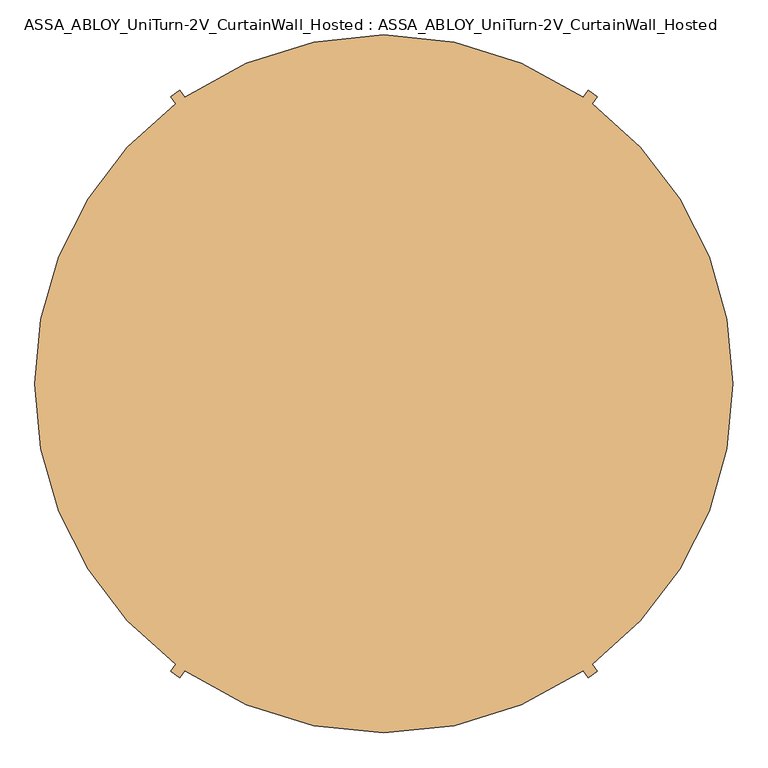
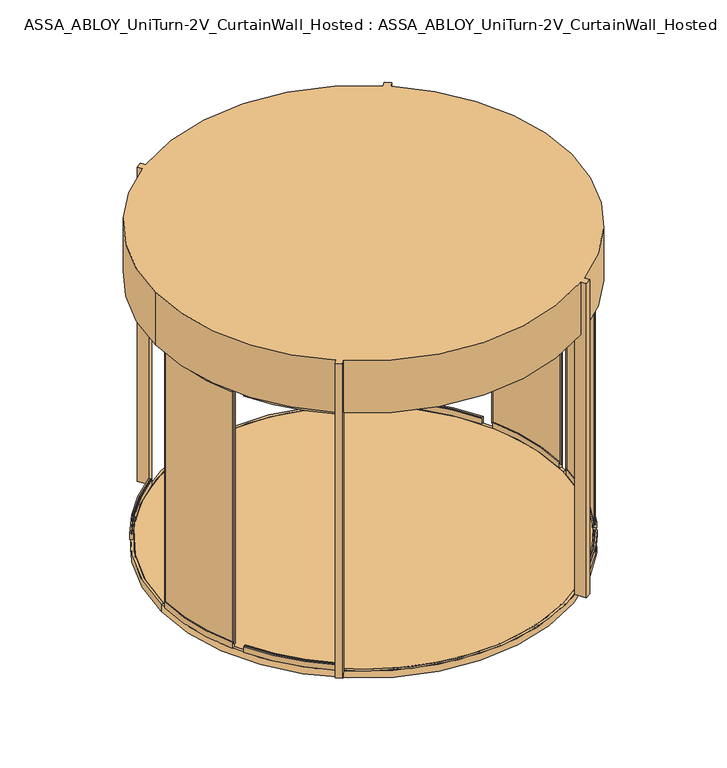
"""IFC4 building model written with IfcOpenShell, lengths in millimetres: door geometry, ASSA_ABLOY_UniTurn-2V_CurtainWall_Hosted : ASSA_ABLOY_UniTurn-2V_CurtainWall_Hosted."""

from ifc_helpers import new_model, si_unit, point, frame, frame_2d, origin, origin_2d, place, context, project, spatial, polyline, circle_curve, trimmed, segment, composite_curve, outline, extrude, source, transform, mapped, element, save
from ifc_brep_helpers import plane_surface, cylinder_surface, revolved_surface, advanced_brep


def assa_abloy_uniturn_2v_curtainwall_hosted_assa_abloy_uniturn_b81dfed7(model_context):
    return source(origin(), model_context, "Body", "SolidModel", [
        extrude(outline(composite_curve([segment(trimmed(circle_curve(origin_2d(), 1800.0), [point((-1800.0, 0.0))], [point((1800.0, 0.0))], False, "CARTESIAN"), True, "CONTINUOUS"), segment(trimmed(circle_curve(origin_2d(), 1800.0), [point((1800.0, 0.0))], [point((-1800.0, 0.0))], False, "CARTESIAN"), True, "CONTINUOUS")], self_intersect=False)), frame((0.0, 0.0, -23.0), z_axis=(0.0, 0.0, 1.0), x_axis=(1.0, 0.0, 0.0)), (0.0, 0.0, 1.0), 23.0),
        advanced_brep(
        [(1826.0, 0.0, -65.0), (-1826.0, 0.0, -65.0), (-1826.0, 0.0, 0.0), (1826.0, 0.0, 0.0), (0.0, 0.0, -65.0), (1800.0, 0.0, -23.0), (-1800.0, 0.0, -23.0), (0.0, 0.0, -23.0), (1800.0, 0.0, 0.0), (-1800.0, 0.0, 0.0)],
        [
            (0, 1, circle_curve(frame((0.0, 0.0, -65.0), z_axis=(0.0, 0.0, 1.0), x_axis=(-1.0, 0.0, 0.0)), 1826.0)),
            (1, 2),
            (2, 3, circle_curve(frame((0.0, 0.0, 0.0), z_axis=(0.0, 0.0, -1.0), x_axis=(-1.0, 0.0, 0.0)), 1826.0)),
            (3, 0),
            (1, 0, circle_curve(frame((0.0, 0.0, -65.0), z_axis=(0.0, 0.0, 1.0), x_axis=(-1.0, 0.0, 0.0)), 1826.0)),
            (3, 2, circle_curve(frame((0.0, 0.0, 0.0), z_axis=(0.0, 0.0, -1.0), x_axis=(-1.0, 0.0, 0.0)), 1826.0)),
            (4, 1),
            (0, 4),
            (5, 6, circle_curve(frame((0.0, 0.0, -23.0), z_axis=(0.0, 0.0, 1.0), x_axis=(-1.0, 0.0, 0.0)), 1800.0)),
            (6, 7),
            (7, 5),
            (6, 5, circle_curve(frame((0.0, 0.0, -23.0), z_axis=(0.0, 0.0, 1.0), x_axis=(-1.0, 0.0, 0.0)), 1800.0)),
            (8, 9, circle_curve(frame((0.0, 0.0, 0.0), z_axis=(0.0, 0.0, 1.0), x_axis=(-1.0, 0.0, 0.0)), 1800.0)),
            (9, 6),
            (5, 8),
            (9, 8, circle_curve(frame((0.0, 0.0, 0.0), z_axis=(0.0, 0.0, 1.0), x_axis=(-1.0, 0.0, 0.0)), 1800.0)),
            (2, 9),
            (8, 3),
        ],
        [
            cylinder_surface(frame((0.0, 0.0, -20.0), z_axis=(0.0, 0.0, -1.0), x_axis=(-1.0, 0.0, 0.0)), 1826.0),
            plane_surface(frame((0.0, 0.0, -65.0), z_axis=(0.0, 0.0, -1.0), x_axis=(-1.0, 0.0, 0.0))),
            plane_surface(frame((0.0, 0.0, -23.0), z_axis=(0.0, 0.0, 1.0), x_axis=(-1.0, 0.0, 0.0))),
            revolved_surface(polyline([(-1800.0, 0.0, -23.0), (-1800.0, 0.0, 0.0)]), (0.0, 0.0, -20.0), (0.0, 0.0, -1.0)),
            plane_surface(frame((0.0, 0.0, 0.0), z_axis=(0.0, 0.0, 1.0), x_axis=(-1.0, 0.0, 0.0))),
        ],
        [
            (0, [[1, 2, 3, 4]]),
            (0, [[5, -4, 6, -2]]),
            (1, [[7, -1, 8]]),
            (1, [[-8, -5, -7]]),
            (2, [[9, 10, 11]]),
            (2, [[12, -11, -10]]),
            (3, [[13, 14, -9, 15]]),
            (3, [[16, -15, -12, -14]]),
            (4, [[-3, 17, -13, 18]]),
            (4, [[-6, -18, -16, -17]]),
        ],
    ),
        advanced_brep(
        [(1148.1232748, 1547.2872862, 3000.0), (1098.9741521, 1581.7018724, 3000.0), (1072.0085808, 1543.1910454, 3000.0), (-1072.0085808, 1543.1910454, 3000.0), (-1098.9741521, 1581.7018724, 3000.0), (-1148.1232748, 1547.2872862, 3000.0), (-1120.7363646, 1508.174725, 3000.0), (-1879.0, 0.0, 3000.0), (-1120.7363646, -1508.174725, 3000.0), (-1148.1232748, -1547.2872862, 3000.0), (-1098.9741521, -1581.7018724, 3000.0), (-1072.0085808, -1543.1910454, 3000.0), (1072.0085808, -1543.1910454, 3000.0), (1098.9741521, -1581.7018724, 3000.0), (1148.1232748, -1547.2872862, 3000.0), (1120.7363646, -1508.174725, 3000.0), (1879.0, 0.0, 3000.0), (1120.7363646, 1508.174725, 3000.0), (1120.7363646, 1508.174725, 2500.0), (1879.0, 0.0, 2500.0), (1120.7363646, -1508.174725, 2500.0), (1090.7656311, -1465.3720817, 2500.0), (1041.6165085, -1499.7866679, 2500.0), (1072.0085808, -1543.1910454, 2500.0), (-1072.0085808, -1543.1910454, 2500.0), (-1041.6165085, -1499.7866679, 2500.0), (-1090.7656311, -1465.3720817, 2500.0), (-1120.7363646, -1508.174725, 2500.0), (-1879.0, 0.0, 2500.0), (-1120.7363646, 1508.174725, 2500.0), (-1090.7656311, 1465.3720817, 2500.0), (-1041.6165085, 1499.7866679, 2500.0), (-1072.0085808, 1543.1910454, 2500.0), (1072.0085808, 1543.1910454, 2500.0), (1041.6165085, 1499.7866679, 2500.0), (1090.7656311, 1465.3720817, 2500.0), (1041.6165085, 1499.7866679, 0.0), (1098.9741521, 1581.7018724, 0.0), (1148.1232748, 1547.2872862, 0.0), (1090.7656311, 1465.3720817, 0.0), (-1041.6165085, 1499.7866679, 0.0), (-1090.7656311, 1465.3720817, 0.0), (-1148.1232748, 1547.2872862, 0.0), (-1098.9741521, 1581.7018724, 0.0), (-1041.6165085, -1499.7866679, 0.0), (-1098.9741521, -1581.7018724, 0.0), (-1148.1232748, -1547.2872862, 0.0), (-1090.7656311, -1465.3720817, 0.0), (1041.6165085, -1499.7866679, 0.0), (1090.7656311, -1465.3720817, 0.0), (1148.1232748, -1547.2872862, 0.0), (1098.9741521, -1581.7018724, 0.0)],
        [
            (0, 1),
            (1, 2),
            (2, 3, circle_curve(frame((0.0, 0.0, 3000.0), z_axis=(0.0, 0.0, 1.0), x_axis=(1.0, 0.0, 0.0)), 1879.0)),
            (3, 4),
            (4, 5),
            (5, 6),
            (6, 7, circle_curve(frame((0.0, 0.0, 3000.0), z_axis=(0.0, 0.0, 1.0), x_axis=(1.0, 0.0, 0.0)), 1879.0)),
            (7, 8, circle_curve(frame((0.0, 0.0, 3000.0), z_axis=(0.0, 0.0, 1.0), x_axis=(1.0, 0.0, 0.0)), 1879.0)),
            (8, 9),
            (9, 10),
            (10, 11),
            (11, 12, circle_curve(frame((0.0, 0.0, 3000.0), z_axis=(0.0, 0.0, 1.0), x_axis=(1.0, 0.0, 0.0)), 1879.0)),
            (12, 13),
            (13, 14),
            (14, 15),
            (15, 16, circle_curve(frame((0.0, 0.0, 3000.0), z_axis=(0.0, 0.0, 1.0), x_axis=(1.0, 0.0, 0.0)), 1879.0)),
            (16, 17, circle_curve(frame((0.0, 0.0, 3000.0), z_axis=(0.0, 0.0, 1.0), x_axis=(1.0, 0.0, 0.0)), 1879.0)),
            (17, 0),
            (18, 19, circle_curve(frame((0.0, 0.0, 2500.0), z_axis=(0.0, 0.0, -1.0), x_axis=(1.0, 0.0, 0.0)), 1879.0)),
            (19, 20, circle_curve(frame((0.0, 0.0, 2500.0), z_axis=(0.0, 0.0, -1.0), x_axis=(1.0, 0.0, 0.0)), 1879.0)),
            (20, 21),
            (21, 22),
            (22, 23),
            (23, 24, circle_curve(frame((0.0, 0.0, 2500.0), z_axis=(0.0, 0.0, -1.0), x_axis=(1.0, 0.0, 0.0)), 1879.0)),
            (24, 25),
            (25, 26),
            (26, 27),
            (27, 28, circle_curve(frame((0.0, 0.0, 2500.0), z_axis=(0.0, 0.0, -1.0), x_axis=(1.0, 0.0, 0.0)), 1879.0)),
            (28, 29, circle_curve(frame((0.0, 0.0, 2500.0), z_axis=(0.0, 0.0, -1.0), x_axis=(1.0, 0.0, 0.0)), 1879.0)),
            (29, 30),
            (30, 31),
            (31, 32),
            (32, 33, circle_curve(frame((0.0, 0.0, 2500.0), z_axis=(0.0, 0.0, -1.0), x_axis=(1.0, 0.0, 0.0)), 1879.0)),
            (33, 34),
            (34, 35),
            (35, 18),
            (16, 19),
            (18, 17),
            (2, 33),
            (32, 3),
            (28, 7),
            (6, 29),
            (15, 20),
            (27, 8),
            (11, 24),
            (23, 12),
            (36, 37),
            (37, 38),
            (38, 39),
            (39, 36),
            (39, 35),
            (34, 36),
            (38, 0),
            (37, 1),
            (40, 41),
            (41, 42),
            (42, 43),
            (43, 40),
            (43, 4),
            (31, 40),
            (42, 5),
            (41, 30),
            (44, 45),
            (45, 46),
            (46, 47),
            (47, 44),
            (47, 26),
            (25, 44),
            (46, 9),
            (45, 10),
            (48, 49),
            (49, 50),
            (50, 51),
            (51, 48),
            (51, 13),
            (22, 48),
            (50, 14),
            (49, 21),
        ],
        [
            plane_surface(frame((1879.0, 0.0, 3000.0), z_axis=(0.0, 0.0, 1.0), x_axis=(0.0, 1.0, 0.0))),
            plane_surface(frame((1879.0, 0.0, 2500.0), z_axis=(0.0, 0.0, -1.0), x_axis=(0.0, -1.0, 0.0))),
            cylinder_surface(frame((0.0, 0.0, 2500.0), z_axis=(0.0, 0.0, 1.0), x_axis=(1.0, 0.0, 0.0)), 1879.0),
            plane_surface(frame((1090.7656311, 1465.3720817, 0.0), z_axis=(0.0, 0.0, -1.0), x_axis=(-0.8191520442889949, 0.5735764363510417, 0.0))),
            plane_surface(frame((1041.6165085, 1499.7866679, 3000.0), z_axis=(-0.5735764363510417, -0.8191520442889949, 0.0), x_axis=(0.0, 0.0, -1.0))),
            plane_surface(frame((1090.7656311, 1465.3720817, 3000.0), z_axis=(0.8191520442889947, -0.573576436351042, 0.0), x_axis=(0.0, 0.0, -1.0))),
            plane_surface(frame((1148.1232748, 1547.2872862, 3000.0), z_axis=(0.5735764363510417, 0.8191520442889949, 0.0), x_axis=(0.0, 0.0, -1.0))),
            plane_surface(frame((1098.9741521, 1581.7018724, 3000.0), z_axis=(-0.8191520442889947, 0.573576436351042, 0.0), x_axis=(0.0, 0.0, -1.0))),
            plane_surface(frame((-1041.6165085, 1499.7866679, 0.0), z_axis=(0.0, 0.0, -1.0000000000000002), x_axis=(0.5735764363510508, -0.8191520442889886, 0.0))),
            plane_surface(frame((-1041.6165085, 1499.7866679, 3000.0), z_axis=(0.8191520442889886, 0.5735764363510508, 0.0), x_axis=(0.0, 0.0, -1.0))),
            plane_surface(frame((-1098.9741521, 1581.7018724, 3000.0), z_axis=(-0.5735764363510516, 0.819152044288988, 0.0), x_axis=(0.0, 0.0, -1.0))),
            plane_surface(frame((-1148.1232748, 1547.2872862, 3000.0), z_axis=(-0.8191520442889886, -0.5735764363510508, 0.0), x_axis=(0.0, 0.0, -1.0))),
            plane_surface(frame((-1090.7656311, 1465.3720817, 3000.0), z_axis=(0.5735764363510516, -0.819152044288988, 0.0), x_axis=(0.0, 0.0, -1.0))),
            plane_surface(frame((-1090.7656311, -1465.3720817, 0.0), z_axis=(0.0, 0.0, -1.0), x_axis=(0.8191520442889972, -0.5735764363510384, 0.0))),
            plane_surface(frame((-1041.6165085, -1499.7866679, 3000.0), z_axis=(0.5735764363510384, 0.8191520442889972, 0.0), x_axis=(0.0, 0.0, -1.0))),
            plane_surface(frame((-1090.7656311, -1465.3720817, 3000.0), z_axis=(-0.8191520442889951, 0.5735764363510415, 0.0), x_axis=(0.0, 0.0, -1.0))),
            plane_surface(frame((-1148.1232748, -1547.2872862, 3000.0), z_axis=(-0.5735764363510425, -0.8191520442889944, 0.0), x_axis=(0.0, 0.0, -1.0))),
            plane_surface(frame((-1098.9741521, -1581.7018724, 3000.0), z_axis=(0.8191520442889954, -0.5735764363510412, 0.0), x_axis=(0.0, 0.0, -1.0))),
            plane_surface(frame((1041.6165085, -1499.7866679, 0.0), z_axis=(0.0, 0.0, -1.0000000000000002), x_axis=(-0.5735764363510499, 0.8191520442889892, 0.0))),
            plane_surface(frame((1041.6165085, -1499.7866679, 3000.0), z_axis=(-0.8191520442889892, -0.5735764363510499, 0.0), x_axis=(0.0, 0.0, -1.0))),
            plane_surface(frame((1098.9741521, -1581.7018724, 3000.0), z_axis=(0.5735764363510529, -0.819152044288987, 0.0), x_axis=(0.0, 0.0, -1.0))),
            plane_surface(frame((1148.1232748, -1547.2872862, 3000.0), z_axis=(0.8191520442889884, 0.5735764363510512, 0.0), x_axis=(0.0, 0.0, -1.0))),
            plane_surface(frame((1090.7656311, -1465.3720817, 3000.0), z_axis=(-0.5735764363510499, 0.8191520442889892, 0.0), x_axis=(0.0, 0.0, -1.0))),
        ],
        [
            (0, [[1, 2, 3, 4, 5, 6, 7, 8, 9, 10, 11, 12, 13, 14, 15, 16, 17, 18]]),
            (1, [[19, 20, 21, 22, 23, 24, 25, 26, 27, 28, 29, 30, 31, 32, 33, 34, 35, 36]]),
            (2, [[37, -19, 38, -17]]),
            (2, [[39, -33, 40, -3]]),
            (2, [[41, -7, 42, -29]]),
            (2, [[-37, -16, 43, -20]]),
            (2, [[-41, -28, 44, -8]]),
            (2, [[45, -24, 46, -12]]),
            (3, [[47, 48, 49, 50]]),
            (4, [[-50, 51, -35, 52]]),
            (5, [[-49, 53, -18, -38, -36, -51]]),
            (6, [[-1, -53, -48, 54]]),
            (7, [[-47, -52, -34, -39, -2, -54]]),
            (8, [[55, 56, 57, 58]]),
            (9, [[-58, 59, -4, -40, -32, 60]]),
            (10, [[-5, -59, -57, 61]]),
            (11, [[-56, 62, -30, -42, -6, -61]]),
            (12, [[-55, -60, -31, -62]]),
            (13, [[63, 64, 65, 66]]),
            (14, [[-66, 67, -26, 68]]),
            (15, [[-65, 69, -9, -44, -27, -67]]),
            (16, [[-10, -69, -64, 70]]),
            (17, [[-63, -68, -25, -45, -11, -70]]),
            (18, [[71, 72, 73, 74]]),
            (19, [[-74, 75, -13, -46, -23, 76]]),
            (20, [[-14, -75, -73, 77]]),
            (21, [[-72, 78, -21, -43, -15, -77]]),
            (22, [[-71, -76, -22, -78]]),
        ],
    ),
        extrude(outline(composite_curve([segment(polyline([(1618.3166547, 800.7291958), (1627.1867631, 805.3466819), (1634.5747409, 791.1545086)]), True, "CONTINUOUS"), segment(trimmed(circle_curve(frame_2d((216.593123, 53.0)), 1598.606877), [point((1634.5747409, 791.1545086))], [point((1815.2, 53.0))], False, "CARTESIAN"), True, "CONTINUOUS"), segment(polyline([(1815.2, 53.0), (1815.2, 37.0), (1805.2, 37.0), (1805.2, 53.0)]), True, "CONTINUOUS"), segment(trimmed(circle_curve(frame_2d((216.593123, 53.0)), 1588.606877), [point((1805.2, 53.0))], [point((1625.7046326, 786.5370225))], True, "CARTESIAN"), True, "CONTINUOUS"), segment(polyline([(1625.7046326, 786.5370225), (1618.3166547, 800.7291958)]), True, "CONTINUOUS")], self_intersect=False)), frame((0.0, 0.0, 40.0), z_axis=(0.0, 0.0, 1.0), x_axis=(1.0, 0.0, 0.0)), (0.0, 0.0, 1.0), 2422.0),
        extrude(outline(composite_curve([segment(trimmed(circle_curve(origin_2d(), 1805.9778625), [point((1625.7046326, -786.5370225))], [point((1805.2, -53.0))], True, "CARTESIAN"), True, "CONTINUOUS"), segment(polyline([(1805.2, -53.0), (1805.2, -37.0), (1815.2, -37.0), (1815.2, -52.7766521)]), True, "CONTINUOUS"), segment(trimmed(circle_curve(origin_2d(), 1815.9670743), [point((1815.2, -52.7766521))], [point((1634.4716103, -791.3526206))], False, "CARTESIAN"), True, "CONTINUOUS"), segment(polyline([(1634.4716103, -791.3526206), (1627.1867631, -805.3466819), (1618.3166547, -800.7291958), (1625.7046326, -786.5370225)]), True, "CONTINUOUS")], self_intersect=False)), frame((0.0, 0.0, 40.0), z_axis=(0.0, 0.0, 1.0), x_axis=(1.0, 0.0, 0.0)), (0.0, 0.0, 1.0), 2422.0),
        extrude(outline(composite_curve([segment(polyline([(-1815.2, -38.0), (-1805.2, -38.0), (-1805.2, -52.5581333)]), True, "CONTINUOUS"), segment(trimmed(circle_curve(origin_2d(), 1805.9649491), [point((-1805.2, -52.5581333))], [point((-1625.5006012, -786.928963))], True, "CARTESIAN"), True, "CONTINUOUS"), segment(polyline([(-1625.5006012, -786.928963), (-1618.7784034, -799.842185), (-1627.6485117, -804.4596711), (-1634.4716103, -791.3526206)]), True, "CONTINUOUS"), segment(trimmed(circle_curve(origin_2d(), 1815.9670743), [point((-1634.4716103, -791.3526206))], [point((-1815.2, -52.7766521))], False, "CARTESIAN"), True, "CONTINUOUS"), segment(polyline([(-1815.2, -52.7766521), (-1815.2, -38.0)]), True, "CONTINUOUS")], self_intersect=False)), frame((0.0, 0.0, 40.0), z_axis=(0.0, 0.0, 1.0), x_axis=(1.0, 0.0, 0.0)), (0.0, 0.0, 1.0), 2422.0),
        advanced_brep(
        [(1090.3243618, -1464.7418838, 56.0), (1083.7561427, -1455.9181375, 56.0), (1083.7561427, -1455.9181375, 41.0), (1077.7850345, -1447.89655, 41.0), (1077.7850345, -1447.89655, 56.0), (1074.7994804, -1443.8857562, 56.0), (1074.7994804, -1443.8857562, 0.0), (1090.3243618, -1464.7418838, 0.0), (1594.5267012, -889.809305, 56.0), (1594.5267012, -889.809305, 0.0), (1571.822597, -877.1395121, 0.0), (1571.822597, -877.1395121, 56.0), (1576.1887709, -879.5760107, 56.0), (1576.1887709, -879.5760107, 41.0), (1584.9211186, -884.449008, 41.0), (1584.9211186, -884.449008, 56.0)],
        [
            (0, 1),
            (1, 2),
            (2, 3),
            (3, 4),
            (4, 5),
            (5, 6),
            (6, 7),
            (7, 0),
            (8, 9),
            (9, 10),
            (10, 11),
            (11, 12),
            (12, 13),
            (13, 14),
            (14, 15),
            (15, 8),
            (15, 1, circle_curve(frame((0.0, 0.0, 56.0), z_axis=(0.0, 0.0, -1.0), x_axis=(0.5971108224356279, -0.8021587534461293, 0.0)), 1815.0)),
            (0, 8, circle_curve(frame((0.0, 0.0, 56.0), z_axis=(0.0, 0.0, 1.0), x_axis=(0.5971108224356279, -0.8021587534461293, 0.0)), 1826.0)),
            (14, 2, circle_curve(frame((0.0, 0.0, 41.0), z_axis=(0.0, 0.0, -1.0), x_axis=(0.5971108224356279, -0.8021587534461293, 0.0)), 1815.0)),
            (13, 3, circle_curve(frame((0.0, 0.0, 41.0), z_axis=(0.0, 0.0, -1.0), x_axis=(0.5971108224356279, -0.8021587534461293, 0.0)), 1805.0)),
            (12, 4, circle_curve(frame((0.0, 0.0, 56.0), z_axis=(0.0, 0.0, -1.0), x_axis=(0.5971108224356279, -0.8021587534461293, 0.0)), 1805.0)),
            (11, 5, circle_curve(frame((0.0, 0.0, 56.0), z_axis=(0.0, 0.0, -1.0), x_axis=(0.5971108224356279, -0.8021587534461293, 0.0)), 1800.0)),
            (10, 6, circle_curve(frame((0.0, 0.0, 0.0), z_axis=(0.0, 0.0, -1.0), x_axis=(0.5971108224356279, -0.8021587534461293, 0.0)), 1800.0)),
            (9, 7, circle_curve(frame((0.0, 0.0, 0.0), z_axis=(0.0, 0.0, -1.0), x_axis=(0.5971108224356279, -0.8021587534461293, 0.0)), 1826.0)),
        ],
        [
            plane_surface(frame((1090.3243618, -1464.7418838, 0.0), z_axis=(-0.8021587534461294, -0.5971108224356279, 0.0), x_axis=(0.0, 0.0, 1.0))),
            plane_surface(frame((1594.5267012, -889.809305, 0.0), z_axis=(0.4872997289311294, 0.873234776096124, 0.0), x_axis=(0.0, 0.0, 1.0))),
            plane_surface(frame((0.0, 0.0, 56.0), z_axis=(0.0, 0.0, 1.0000000000000002), x_axis=(0.597110822435628, -0.8021587534461294, 0.0))),
            revolved_surface(polyline([(1083.7561427206645, -1455.9181375047247, 56.0), (1083.7561427206645, -1455.9181375047247, 41.0)]), (0.0, 0.0, 0.0), (0.0, 0.0, 1.0)),
            plane_surface(frame((0.0, 0.0, 41.0), z_axis=(0.0, 0.0, 1.0000000000000002), x_axis=(0.597110822435628, -0.8021587534461294, 0.0))),
            cylinder_surface(frame((0.0, 0.0, 0.0), z_axis=(0.0, 0.0, 1.0), x_axis=(0.5971108224356279, -0.8021587534461293, 0.0)), 1805.0),
            revolved_surface(polyline([(1074.7994803841302, -1443.8857562030328, 56.0), (1074.7994803841302, -1443.8857562030328, 0.0)]), (0.0, 0.0, 0.0), (0.0, 0.0, 1.0)),
            plane_surface(frame((0.0, 0.0, 0.0), z_axis=(0.0, 0.0, -1.0000000000000002), x_axis=(0.597110822435628, -0.8021587534461294, 0.0))),
            cylinder_surface(frame((0.0, 0.0, 0.0), z_axis=(0.0, 0.0, 1.0), x_axis=(0.5971108224356279, -0.8021587534461293, 0.0)), 1826.0),
        ],
        [
            (0, [[1, 2, 3, 4, 5, 6, 7, 8]]),
            (1, [[9, 10, 11, 12, 13, 14, 15, 16]]),
            (2, [[17, -1, 18, -16]]),
            (3, [[19, -2, -17, -15]]),
            (4, [[20, -3, -19, -14]]),
            (5, [[21, -4, -20, -13]]),
            (2, [[22, -5, -21, -12]]),
            (6, [[23, -6, -22, -11]]),
            (7, [[24, -7, -23, -10]]),
            (8, [[-18, -8, -24, -9]]),
        ],
    ),
        advanced_brep(
        [(1825.2306704, -53.0, 56.0), (1825.2306704, -53.0, 0.0), (1799.2416247, -52.245345, 0.0), (1799.2416247, -52.245345, 56.0), (1804.2395181, -52.390471, 56.0), (1804.2395181, -52.390471, 41.0), (1814.2353049, -52.6807229, 41.0), (1814.2353049, -52.6807229, 56.0), (1643.4720542, -795.7861567, 56.0), (1633.5716201, -790.9922642, 56.0), (1633.5716201, -790.9922642, 41.0), (1624.5712255, -786.6341801, 41.0), (1624.5712255, -786.6341801, 56.0), (1620.0710282, -784.4551381, 56.0), (1620.0710282, -784.4551381, 0.0), (1643.4720542, -795.7861567, 0.0)],
        [
            (0, 1),
            (1, 2),
            (2, 3),
            (3, 4),
            (4, 5),
            (5, 6),
            (6, 7),
            (7, 0),
            (8, 9),
            (9, 10),
            (10, 11),
            (11, 12),
            (12, 13),
            (13, 14),
            (14, 15),
            (15, 8),
            (15, 1, circle_curve(frame((0.0, 0.0, 0.0), z_axis=(0.0, 0.0, 1.0), x_axis=(0.9995786803689767, -0.029025191675770036, 0.0)), 1826.0)),
            (0, 8, circle_curve(frame((0.0, 0.0, 56.0), z_axis=(0.0, 0.0, -1.0), x_axis=(0.9995786803689767, -0.029025191675770036, 0.0)), 1826.0)),
            (14, 2, circle_curve(frame((0.0, 0.0, 0.0), z_axis=(0.0, 0.0, 1.0), x_axis=(0.9995786803689767, -0.029025191675770036, 0.0)), 1800.0)),
            (13, 3, circle_curve(frame((0.0, 0.0, 56.0), z_axis=(0.0, 0.0, 1.0), x_axis=(0.9995786803689767, -0.029025191675770036, 0.0)), 1800.0)),
            (12, 4, circle_curve(frame((0.0, 0.0, 56.0), z_axis=(0.0, 0.0, 1.0), x_axis=(0.9995786803689767, -0.029025191675770036, 0.0)), 1805.0)),
            (11, 5, circle_curve(frame((0.0, 0.0, 41.0), z_axis=(0.0, 0.0, 1.0), x_axis=(0.9995786803689767, -0.029025191675770036, 0.0)), 1805.0)),
            (10, 6, circle_curve(frame((0.0, 0.0, 41.0), z_axis=(0.0, 0.0, 1.0), x_axis=(0.9995786803689767, -0.029025191675770036, 0.0)), 1815.0)),
            (9, 7, circle_curve(frame((0.0, 0.0, 56.0), z_axis=(0.0, 0.0, 1.0), x_axis=(0.9995786803689767, -0.029025191675770036, 0.0)), 1815.0)),
        ],
        [
            plane_surface(frame((1825.2306704, -53.0, 0.0), z_axis=(0.029025191675770032, 0.9995786803689767, 0.0), x_axis=(0.0, 0.0, 1.0))),
            plane_surface(frame((1643.4720542, -795.7861567, 0.0), z_axis=(-0.4358084100281285, -0.9000394601064748, 0.0), x_axis=(0.0, 0.0, 1.0))),
            cylinder_surface(frame((0.0, 0.0, 0.0), z_axis=(0.0, 0.0, -1.0), x_axis=(0.9995786803689767, -0.029025191675770036, 0.0)), 1826.0),
            plane_surface(frame((0.0, 0.0, 0.0), z_axis=(0.0, 0.0, -1.0), x_axis=(0.9995786803689767, -0.029025191675770036, 0.0))),
            revolved_surface(polyline([(1799.241624664158, -52.24534501638607, 0.0), (1799.241624664158, -52.24534501638607, 56.0)]), (0.0, 0.0, 0.0), (0.0, 0.0, -1.0)),
            plane_surface(frame((0.0, 0.0, 56.0), z_axis=(0.0, 0.0, 1.0), x_axis=(0.9995786803689767, -0.029025191675770036, 0.0))),
            cylinder_surface(frame((0.0, 0.0, 0.0), z_axis=(0.0, 0.0, -1.0), x_axis=(0.9995786803689767, -0.029025191675770036, 0.0)), 1805.0),
            plane_surface(frame((0.0, 0.0, 41.0), z_axis=(0.0, 0.0, 1.0), x_axis=(0.9995786803689767, -0.029025191675770036, 0.0))),
            revolved_surface(polyline([(1814.2353048696928, -52.68072289152261, 41.0), (1814.2353048696928, -52.68072289152261, 56.0)]), (0.0, 0.0, 0.0), (0.0, 0.0, -1.0)),
        ],
        [
            (0, [[1, 2, 3, 4, 5, 6, 7, 8]]),
            (1, [[9, 10, 11, 12, 13, 14, 15, 16]]),
            (2, [[17, -1, 18, -16]]),
            (3, [[19, -2, -17, -15]]),
            (4, [[20, -3, -19, -14]]),
            (5, [[21, -4, -20, -13]]),
            (6, [[22, -5, -21, -12]]),
            (7, [[23, -6, -22, -11]]),
            (8, [[24, -7, -23, -10]]),
            (5, [[-18, -8, -24, -9]]),
        ],
    ),
        advanced_brep(
        [(1620.0710282, 784.4551381, 0.0), (1620.0710282, 784.4551381, 56.0), (1624.5712255, 786.6341801, 56.0), (1624.5712255, 786.6341801, 41.0), (1633.5716201, 790.9922642, 41.0), (1633.5716201, 790.9922642, 56.0), (1643.4720542, 795.7861567, 56.0), (1643.4720542, 795.7861567, 0.0), (1799.2416247, 52.245345, 0.0), (1825.2306704, 53.0, 0.0), (1825.2306704, 53.0, 56.0), (1814.2353049, 52.6807229, 56.0), (1814.2353049, 52.6807229, 41.0), (1804.2395181, 52.390471, 41.0), (1804.2395181, 52.390471, 56.0), (1799.2416247, 52.245345, 56.0)],
        [
            (0, 1),
            (1, 2),
            (2, 3),
            (3, 4),
            (4, 5),
            (5, 6),
            (6, 7),
            (7, 0),
            (8, 9),
            (9, 10),
            (10, 11),
            (11, 12),
            (12, 13),
            (13, 14),
            (14, 15),
            (15, 8),
            (15, 1, circle_curve(frame((0.0, 0.0, 56.0), z_axis=(0.0, 0.0, 1.0), x_axis=(0.9000394601064423, 0.4358084100281955, 0.0)), 1800.0)),
            (0, 8, circle_curve(frame((0.0, 0.0, 0.0), z_axis=(0.0, 0.0, -1.0), x_axis=(0.9000394601064423, 0.4358084100281955, 0.0)), 1800.0)),
            (14, 2, circle_curve(frame((0.0, 0.0, 56.0), z_axis=(0.0, 0.0, 1.0), x_axis=(0.9000394601064423, 0.4358084100281955, 0.0)), 1805.0)),
            (13, 3, circle_curve(frame((0.0, 0.0, 41.0), z_axis=(0.0, 0.0, 1.0), x_axis=(0.9000394601064423, 0.4358084100281955, 0.0)), 1805.0)),
            (12, 4, circle_curve(frame((0.0, 0.0, 41.0), z_axis=(0.0, 0.0, 1.0), x_axis=(0.9000394601064423, 0.4358084100281955, 0.0)), 1815.0)),
            (11, 5, circle_curve(frame((0.0, 0.0, 56.0), z_axis=(0.0, 0.0, 1.0), x_axis=(0.9000394601064423, 0.4358084100281955, 0.0)), 1815.0)),
            (10, 6, circle_curve(frame((0.0, 0.0, 56.0), z_axis=(0.0, 0.0, 1.0), x_axis=(0.9000394601064423, 0.4358084100281955, 0.0)), 1826.0)),
            (9, 7, circle_curve(frame((0.0, 0.0, 0.0), z_axis=(0.0, 0.0, 1.0), x_axis=(0.9000394601064423, 0.4358084100281955, 0.0)), 1826.0)),
        ],
        [
            plane_surface(frame((1643.4720542, 795.7861567, 0.0), z_axis=(-0.43580841002819554, 0.9000394601064424, 0.0), x_axis=(0.0, 0.0, 1.0))),
            plane_surface(frame((1825.2306704, 53.0, 0.0), z_axis=(0.029025191675825072, -0.9995786803689751, 0.0), x_axis=(0.0, 0.0, 1.0))),
            revolved_surface(polyline([(1620.0710281915963, 784.4551380507519, 0.0), (1620.0710281915963, 784.4551380507519, 56.0)]), (0.0, 0.0, 0.0), (0.0, 0.0, -1.0)),
            plane_surface(frame((0.0, 0.0, 56.0), z_axis=(0.0, 0.0, 1.0000000000000002), x_axis=(0.9000394601064424, 0.43580841002819554, 0.0))),
            cylinder_surface(frame((0.0, 0.0, 0.0), z_axis=(0.0, 0.0, -1.0), x_axis=(0.9000394601064423, 0.4358084100281955, 0.0)), 1805.0),
            plane_surface(frame((0.0, 0.0, 41.0), z_axis=(0.0, 0.0, 1.0000000000000002), x_axis=(0.9000394601064424, 0.43580841002819554, 0.0))),
            revolved_surface(polyline([(1633.571620093193, 790.9922642011747, 41.0), (1633.571620093193, 790.9922642011747, 56.0)]), (0.0, 0.0, 0.0), (0.0, 0.0, -1.0)),
            cylinder_surface(frame((0.0, 0.0, 0.0), z_axis=(0.0, 0.0, -1.0), x_axis=(0.9000394601064423, 0.4358084100281955, 0.0)), 1826.0),
            plane_surface(frame((0.0, 0.0, 0.0), z_axis=(0.0, 0.0, -1.0000000000000002), x_axis=(0.9000394601064424, 0.43580841002819554, 0.0))),
        ],
        [
            (0, [[1, 2, 3, 4, 5, 6, 7, 8]]),
            (1, [[9, 10, 11, 12, 13, 14, 15, 16]]),
            (2, [[17, -1, 18, -16]]),
            (3, [[19, -2, -17, -15]]),
            (4, [[20, -3, -19, -14]]),
            (5, [[21, -4, -20, -13]]),
            (6, [[22, -5, -21, -12]]),
            (3, [[23, -6, -22, -11]]),
            (7, [[24, -7, -23, -10]]),
            (8, [[-18, -8, -24, -9]]),
        ],
    ),
        advanced_brep(
        [(1074.7994804, 1443.8857562, 0.0), (1074.7994804, 1443.8857562, 56.0), (1077.7850345, 1447.89655, 56.0), (1077.7850345, 1447.89655, 41.0), (1083.7561427, 1455.9181375, 41.0), (1083.7561427, 1455.9181375, 56.0), (1090.3243618, 1464.7418838, 56.0), (1090.3243618, 1464.7418838, 0.0), (1571.822597, 877.1395121, 0.0), (1594.5267012, 889.809305, 0.0), (1594.5267012, 889.809305, 56.0), (1584.9211186, 884.449008, 56.0), (1584.9211186, 884.449008, 41.0), (1576.1887709, 879.5760107, 41.0), (1576.1887709, 879.5760107, 56.0), (1571.822597, 877.1395121, 56.0)],
        [
            (0, 1),
            (1, 2),
            (2, 3),
            (3, 4),
            (4, 5),
            (5, 6),
            (6, 7),
            (7, 0),
            (8, 9),
            (9, 10),
            (10, 11),
            (11, 12),
            (12, 13),
            (13, 14),
            (14, 15),
            (15, 8),
            (15, 1, circle_curve(frame((0.0, 0.0, 56.0), z_axis=(0.0, 0.0, 1.0), x_axis=(0.5971108224356099, 0.8021587534461427, 0.0)), 1800.0)),
            (0, 8, circle_curve(frame((0.0, 0.0, 0.0), z_axis=(0.0, 0.0, -1.0), x_axis=(0.5971108224356099, 0.8021587534461427, 0.0)), 1800.0)),
            (14, 2, circle_curve(frame((0.0, 0.0, 56.0), z_axis=(0.0, 0.0, 1.0), x_axis=(0.5971108224356099, 0.8021587534461427, 0.0)), 1805.0)),
            (13, 3, circle_curve(frame((0.0, 0.0, 41.0), z_axis=(0.0, 0.0, 1.0), x_axis=(0.5971108224356099, 0.8021587534461427, 0.0)), 1805.0)),
            (12, 4, circle_curve(frame((0.0, 0.0, 41.0), z_axis=(0.0, 0.0, 1.0), x_axis=(0.5971108224356099, 0.8021587534461427, 0.0)), 1815.0)),
            (11, 5, circle_curve(frame((0.0, 0.0, 56.0), z_axis=(0.0, 0.0, 1.0), x_axis=(0.5971108224356099, 0.8021587534461427, 0.0)), 1815.0)),
            (10, 6, circle_curve(frame((0.0, 0.0, 56.0), z_axis=(0.0, 0.0, 1.0), x_axis=(0.5971108224356099, 0.8021587534461427, 0.0)), 1826.0)),
            (9, 7, circle_curve(frame((0.0, 0.0, 0.0), z_axis=(0.0, 0.0, 1.0), x_axis=(0.5971108224356099, 0.8021587534461427, 0.0)), 1826.0)),
        ],
        [
            plane_surface(frame((1090.3243618, 1464.7418838, 0.0), z_axis=(-0.8021587534461427, 0.5971108224356099, 0.0), x_axis=(0.0, 0.0, 1.0))),
            plane_surface(frame((1594.5267012, 889.809305, 0.0), z_axis=(0.4872997289312024, -0.8732347760960834, 0.0), x_axis=(0.0, 0.0, 1.0))),
            revolved_surface(polyline([(1074.7994803840977, 1443.8857562030569, 0.0), (1074.7994803840977, 1443.8857562030569, 56.0)]), (0.0, 0.0, 0.0), (0.0, 0.0, -1.0)),
            plane_surface(frame((0.0, 0.0, 56.0), z_axis=(0.0, 0.0, 1.0), x_axis=(0.5971108224356099, 0.8021587534461427, 0.0))),
            cylinder_surface(frame((0.0, 0.0, 0.0), z_axis=(0.0, 0.0, -1.0), x_axis=(0.5971108224356099, 0.8021587534461427, 0.0)), 1805.0),
            plane_surface(frame((0.0, 0.0, 41.0), z_axis=(0.0, 0.0, 1.0), x_axis=(0.5971108224356099, 0.8021587534461427, 0.0))),
            revolved_surface(polyline([(1083.756142720632, 1455.918137504749, 41.0), (1083.756142720632, 1455.918137504749, 56.0)]), (0.0, 0.0, 0.0), (0.0, 0.0, -1.0)),
            cylinder_surface(frame((0.0, 0.0, 0.0), z_axis=(0.0, 0.0, -1.0), x_axis=(0.5971108224356099, 0.8021587534461427, 0.0)), 1826.0),
            plane_surface(frame((0.0, 0.0, 0.0), z_axis=(0.0, 0.0, -1.0), x_axis=(0.5971108224356099, 0.8021587534461427, 0.0))),
        ],
        [
            (0, [[1, 2, 3, 4, 5, 6, 7, 8]]),
            (1, [[9, 10, 11, 12, 13, 14, 15, 16]]),
            (2, [[17, -1, 18, -16]]),
            (3, [[19, -2, -17, -15]]),
            (4, [[20, -3, -19, -14]]),
            (5, [[21, -4, -20, -13]]),
            (6, [[22, -5, -21, -12]]),
            (3, [[23, -6, -22, -11]]),
            (7, [[24, -7, -23, -10]]),
            (8, [[-18, -8, -24, -9]]),
        ],
    ),
        advanced_brep(
        [(-1074.7994804, -1443.8857562, 0.0), (-1074.7994804, -1443.8857562, 56.0), (-1077.7850345, -1447.89655, 56.0), (-1077.7850345, -1447.89655, 41.0), (-1083.7561427, -1455.9181375, 41.0), (-1083.7561427, -1455.9181375, 56.0), (-1090.3243618, -1464.7418838, 56.0), (-1090.3243618, -1464.7418838, 0.0), (-1571.822597, -877.1395121, 0.0), (-1594.5267012, -889.809305, 0.0), (-1594.5267012, -889.809305, 56.0), (-1584.9211186, -884.449008, 56.0), (-1584.9211186, -884.449008, 41.0), (-1576.1887709, -879.5760107, 41.0), (-1576.1887709, -879.5760107, 56.0), (-1571.822597, -877.1395121, 56.0)],
        [
            (0, 1),
            (1, 2),
            (2, 3),
            (3, 4),
            (4, 5),
            (5, 6),
            (6, 7),
            (7, 0),
            (8, 9),
            (9, 10),
            (10, 11),
            (11, 12),
            (12, 13),
            (13, 14),
            (14, 15),
            (15, 8),
            (15, 1, circle_curve(frame((0.0, 0.0, 56.0), z_axis=(0.0, 0.0, 1.0), x_axis=(-0.5971108224356438, -0.8021587534461174, 0.0)), 1800.0)),
            (0, 8, circle_curve(frame((0.0, 0.0, 0.0), z_axis=(0.0, 0.0, -1.0), x_axis=(-0.5971108224356438, -0.8021587534461174, 0.0)), 1800.0)),
            (14, 2, circle_curve(frame((0.0, 0.0, 56.0), z_axis=(0.0, 0.0, 1.0), x_axis=(-0.5971108224356438, -0.8021587534461174, 0.0)), 1805.0)),
            (13, 3, circle_curve(frame((0.0, 0.0, 41.0), z_axis=(0.0, 0.0, 1.0), x_axis=(-0.5971108224356438, -0.8021587534461174, 0.0)), 1805.0)),
            (12, 4, circle_curve(frame((0.0, 0.0, 41.0), z_axis=(0.0, 0.0, 1.0), x_axis=(-0.5971108224356438, -0.8021587534461174, 0.0)), 1815.0)),
            (11, 5, circle_curve(frame((0.0, 0.0, 56.0), z_axis=(0.0, 0.0, 1.0), x_axis=(-0.5971108224356438, -0.8021587534461174, 0.0)), 1815.0)),
            (10, 6, circle_curve(frame((0.0, 0.0, 56.0), z_axis=(0.0, 0.0, 1.0), x_axis=(-0.5971108224356438, -0.8021587534461174, 0.0)), 1826.0)),
            (9, 7, circle_curve(frame((0.0, 0.0, 0.0), z_axis=(0.0, 0.0, 1.0), x_axis=(-0.5971108224356438, -0.8021587534461174, 0.0)), 1826.0)),
        ],
        [
            plane_surface(frame((-1090.3243618, -1464.7418838, 0.0), z_axis=(0.8021587534461174, -0.5971108224356438, 0.0), x_axis=(0.0, 0.0, 1.0))),
            plane_surface(frame((-1594.5267012, -889.809305, 0.0), z_axis=(-0.48729972893110296, 0.8732347760961388, 0.0), x_axis=(0.0, 0.0, 1.0))),
            revolved_surface(polyline([(-1074.7994803841589, -1443.8857562030114, 0.0), (-1074.7994803841589, -1443.8857562030114, 56.0)]), (0.0, 0.0, 0.0), (0.0, 0.0, -1.0)),
            plane_surface(frame((0.0, 0.0, 56.0), z_axis=(0.0, 0.0, 1.0), x_axis=(-0.5971108224356438, -0.8021587534461174, 0.0))),
            cylinder_surface(frame((0.0, 0.0, 0.0), z_axis=(0.0, 0.0, -1.0), x_axis=(-0.5971108224356438, -0.8021587534461174, 0.0)), 1805.0),
            plane_surface(frame((0.0, 0.0, 41.0), z_axis=(0.0, 0.0, 1.0), x_axis=(-0.5971108224356438, -0.8021587534461174, 0.0))),
            revolved_surface(polyline([(-1083.7561427206936, -1455.918137504703, 41.0), (-1083.7561427206936, -1455.918137504703, 56.0)]), (0.0, 0.0, 0.0), (0.0, 0.0, -1.0)),
            cylinder_surface(frame((0.0, 0.0, 0.0), z_axis=(0.0, 0.0, -1.0), x_axis=(-0.5971108224356438, -0.8021587534461174, 0.0)), 1826.0),
            plane_surface(frame((0.0, 0.0, 0.0), z_axis=(0.0, 0.0, -1.0), x_axis=(-0.5971108224356438, -0.8021587534461174, 0.0))),
        ],
        [
            (0, [[1, 2, 3, 4, 5, 6, 7, 8]]),
            (1, [[9, 10, 11, 12, 13, 14, 15, 16]]),
            (2, [[17, -1, 18, -16]]),
            (3, [[19, -2, -17, -15]]),
            (4, [[20, -3, -19, -14]]),
            (5, [[21, -4, -20, -13]]),
            (6, [[22, -5, -21, -12]]),
            (3, [[23, -6, -22, -11]]),
            (7, [[24, -7, -23, -10]]),
            (8, [[-18, -8, -24, -9]]),
        ],
    ),
        advanced_brep(
        [(-1643.4720542, -795.7861567, 56.0), (-1643.4720542, -795.7861567, 0.0), (-1620.0710282, -784.4551381, 0.0), (-1620.0710282, -784.4551381, 56.0), (-1624.5712255, -786.6341801, 56.0), (-1624.5712255, -786.6341801, 41.0), (-1633.5716201, -790.9922642, 41.0), (-1633.5716201, -790.9922642, 56.0), (-1825.2306704, -53.0, 56.0), (-1814.2353049, -52.6807229, 56.0), (-1814.2353049, -52.6807229, 41.0), (-1804.2395181, -52.390471, 41.0), (-1804.2395181, -52.390471, 56.0), (-1799.2416247, -52.245345, 56.0), (-1799.2416247, -52.245345, 0.0), (-1825.2306704, -53.0, 0.0)],
        [
            (0, 1),
            (1, 2),
            (2, 3),
            (3, 4),
            (4, 5),
            (5, 6),
            (6, 7),
            (7, 0),
            (8, 9),
            (9, 10),
            (10, 11),
            (11, 12),
            (12, 13),
            (13, 14),
            (14, 15),
            (15, 8),
            (15, 1, circle_curve(frame((0.0, 0.0, 0.0), z_axis=(0.0, 0.0, 1.0), x_axis=(-0.9000394601064721, -0.4358084100281342, 0.0)), 1826.0)),
            (0, 8, circle_curve(frame((0.0, 0.0, 56.0), z_axis=(0.0, 0.0, -1.0), x_axis=(-0.9000394601064721, -0.4358084100281342, 0.0)), 1826.0)),
            (14, 2, circle_curve(frame((0.0, 0.0, 0.0), z_axis=(0.0, 0.0, 1.0), x_axis=(-0.9000394601064721, -0.4358084100281342, 0.0)), 1800.0)),
            (13, 3, circle_curve(frame((0.0, 0.0, 56.0), z_axis=(0.0, 0.0, 1.0), x_axis=(-0.9000394601064721, -0.4358084100281342, 0.0)), 1800.0)),
            (12, 4, circle_curve(frame((0.0, 0.0, 56.0), z_axis=(0.0, 0.0, 1.0), x_axis=(-0.9000394601064721, -0.4358084100281342, 0.0)), 1805.0)),
            (11, 5, circle_curve(frame((0.0, 0.0, 41.0), z_axis=(0.0, 0.0, 1.0), x_axis=(-0.9000394601064721, -0.4358084100281342, 0.0)), 1805.0)),
            (10, 6, circle_curve(frame((0.0, 0.0, 41.0), z_axis=(0.0, 0.0, 1.0), x_axis=(-0.9000394601064721, -0.4358084100281342, 0.0)), 1815.0)),
            (9, 7, circle_curve(frame((0.0, 0.0, 56.0), z_axis=(0.0, 0.0, 1.0), x_axis=(-0.9000394601064721, -0.4358084100281342, 0.0)), 1815.0)),
        ],
        [
            plane_surface(frame((-1643.4720542, -795.7861567, 0.0), z_axis=(0.4358084100281342, -0.9000394601064721, 0.0), x_axis=(0.0, 0.0, 1.0))),
            plane_surface(frame((-1825.2306704, -53.0, 0.0), z_axis=(-0.02902519167574588, 0.9995786803689775, 0.0), x_axis=(0.0, 0.0, 1.0))),
            cylinder_surface(frame((0.0, 0.0, 0.0), z_axis=(0.0, 0.0, -1.0), x_axis=(-0.9000394601064721, -0.4358084100281342, 0.0)), 1826.0),
            plane_surface(frame((0.0, 0.0, 0.0), z_axis=(0.0, 0.0, -1.0), x_axis=(-0.9000394601064721, -0.4358084100281342, 0.0))),
            revolved_surface(polyline([(-1620.0710281916497, -784.4551380506416, 0.0), (-1620.0710281916497, -784.4551380506416, 56.0)]), (0.0, 0.0, 0.0), (0.0, 0.0, -1.0)),
            plane_surface(frame((0.0, 0.0, 56.0), z_axis=(0.0, 0.0, 1.0), x_axis=(-0.9000394601064721, -0.4358084100281342, 0.0))),
            cylinder_surface(frame((0.0, 0.0, 0.0), z_axis=(0.0, 0.0, -1.0), x_axis=(-0.9000394601064721, -0.4358084100281342, 0.0)), 1805.0),
            plane_surface(frame((0.0, 0.0, 41.0), z_axis=(0.0, 0.0, 1.0), x_axis=(-0.9000394601064721, -0.4358084100281342, 0.0))),
            revolved_surface(polyline([(-1633.5716200932468, -790.9922642010636, 41.0), (-1633.5716200932468, -790.9922642010636, 56.0)]), (0.0, 0.0, 0.0), (0.0, 0.0, -1.0)),
        ],
        [
            (0, [[1, 2, 3, 4, 5, 6, 7, 8]]),
            (1, [[9, 10, 11, 12, 13, 14, 15, 16]]),
            (2, [[17, -1, 18, -16]]),
            (3, [[19, -2, -17, -15]]),
            (4, [[20, -3, -19, -14]]),
            (5, [[21, -4, -20, -13]]),
            (6, [[22, -5, -21, -12]]),
            (7, [[23, -6, -22, -11]]),
            (8, [[24, -7, -23, -10]]),
            (5, [[-18, -8, -24, -9]]),
        ],
    ),
        advanced_brep(
        [(-1571.822597, 877.1395121, 0.0), (-1571.822597, 877.1395121, 56.0), (-1576.1887709, 879.5760107, 56.0), (-1576.1887709, 879.5760107, 41.0), (-1584.9211186, 884.449008, 41.0), (-1584.9211186, 884.449008, 56.0), (-1594.5267012, 889.809305, 56.0), (-1594.5267012, 889.809305, 0.0), (-1074.7994804, 1443.8857562, 0.0), (-1090.3243618, 1464.7418838, 0.0), (-1090.3243618, 1464.7418838, 56.0), (-1083.7561427, 1455.9181375, 56.0), (-1083.7561427, 1455.9181375, 41.0), (-1077.7850345, 1447.89655, 41.0), (-1077.7850345, 1447.89655, 56.0), (-1074.7994804, 1443.8857562, 56.0)],
        [
            (0, 1),
            (1, 2),
            (2, 3),
            (3, 4),
            (4, 5),
            (5, 6),
            (6, 7),
            (7, 0),
            (8, 9),
            (9, 10),
            (10, 11),
            (11, 12),
            (12, 13),
            (13, 14),
            (14, 15),
            (15, 8),
            (15, 1, circle_curve(frame((0.0, 0.0, 56.0), z_axis=(0.0, 0.0, 1.0), x_axis=(-0.8732347760960592, 0.4872997289312457, 0.0)), 1800.0)),
            (0, 8, circle_curve(frame((0.0, 0.0, 0.0), z_axis=(0.0, 0.0, -1.0), x_axis=(-0.8732347760960592, 0.4872997289312457, 0.0)), 1800.0)),
            (14, 2, circle_curve(frame((0.0, 0.0, 56.0), z_axis=(0.0, 0.0, 1.0), x_axis=(-0.8732347760960592, 0.4872997289312457, 0.0)), 1805.0)),
            (13, 3, circle_curve(frame((0.0, 0.0, 41.0), z_axis=(0.0, 0.0, 1.0), x_axis=(-0.8732347760960592, 0.4872997289312457, 0.0)), 1805.0)),
            (12, 4, circle_curve(frame((0.0, 0.0, 41.0), z_axis=(0.0, 0.0, 1.0), x_axis=(-0.8732347760960592, 0.4872997289312457, 0.0)), 1815.0)),
            (11, 5, circle_curve(frame((0.0, 0.0, 56.0), z_axis=(0.0, 0.0, 1.0), x_axis=(-0.8732347760960592, 0.4872997289312457, 0.0)), 1815.0)),
            (10, 6, circle_curve(frame((0.0, 0.0, 56.0), z_axis=(0.0, 0.0, 1.0), x_axis=(-0.8732347760960592, 0.4872997289312457, 0.0)), 1826.0)),
            (9, 7, circle_curve(frame((0.0, 0.0, 0.0), z_axis=(0.0, 0.0, 1.0), x_axis=(-0.8732347760960592, 0.4872997289312457, 0.0)), 1826.0)),
        ],
        [
            plane_surface(frame((-1594.5267012, 889.809305, 0.0), z_axis=(-0.4872997289312457, -0.8732347760960592, 0.0), x_axis=(0.0, 0.0, 1.0))),
            plane_surface(frame((-1090.3243618, 1464.7418838, 0.0), z_axis=(0.8021587534462656, 0.5971108224354448, 0.0), x_axis=(0.0, 0.0, 1.0))),
            revolved_surface(polyline([(-1571.8225969729065, 877.1395120762422, 0.0), (-1571.8225969729065, 877.1395120762422, 56.0)]), (0.0, 0.0, 0.0), (0.0, 0.0, -1.0)),
            plane_surface(frame((0.0, 0.0, 56.0), z_axis=(0.0, 0.0, 1.0), x_axis=(-0.8732347760960592, 0.4872997289312457, 0.0))),
            cylinder_surface(frame((0.0, 0.0, 0.0), z_axis=(0.0, 0.0, -1.0), x_axis=(-0.8732347760960592, 0.4872997289312457, 0.0)), 1805.0),
            plane_surface(frame((0.0, 0.0, 41.0), z_axis=(0.0, 0.0, 1.0), x_axis=(-0.8732347760960592, 0.4872997289312457, 0.0))),
            revolved_surface(polyline([(-1584.9211186143473, 884.449008010211, 41.0), (-1584.9211186143473, 884.449008010211, 56.0)]), (0.0, 0.0, 0.0), (0.0, 0.0, -1.0)),
            cylinder_surface(frame((0.0, 0.0, 0.0), z_axis=(0.0, 0.0, -1.0), x_axis=(-0.8732347760960592, 0.4872997289312457, 0.0)), 1826.0),
            plane_surface(frame((0.0, 0.0, 0.0), z_axis=(0.0, 0.0, -1.0), x_axis=(-0.8732347760960592, 0.4872997289312457, 0.0))),
        ],
        [
            (0, [[1, 2, 3, 4, 5, 6, 7, 8]]),
            (1, [[9, 10, 11, 12, 13, 14, 15, 16]]),
            (2, [[17, -1, 18, -16]]),
            (3, [[19, -2, -17, -15]]),
            (4, [[20, -3, -19, -14]]),
            (5, [[21, -4, -20, -13]]),
            (6, [[22, -5, -21, -12]]),
            (3, [[23, -6, -22, -11]]),
            (7, [[24, -7, -23, -10]]),
            (8, [[-18, -8, -24, -9]]),
        ],
    ),
        extrude(outline(composite_curve([segment(trimmed(circle_curve(origin_2d(), 1800.0), [point((1571.822597, 877.1395121))], [point((1074.7994804, 1443.8857562))], True, "CARTESIAN"), True, "CONTINUOUS"), segment(polyline([(1074.7994804, 1443.8857562), (1090.3243618, 1464.7418838)]), True, "CONTINUOUS"), segment(trimmed(circle_curve(origin_2d(), 1826.0), [point((1090.3243618, 1464.7418838))], [point((1594.5267012, 889.809305))], False, "CARTESIAN"), True, "CONTINUOUS"), segment(polyline([(1594.5267012, 889.809305), (1571.822597, 877.1395121)]), True, "CONTINUOUS")], self_intersect=False)), frame((0.0, 0.0, 2447.0), z_axis=(0.0, 0.0, 1.0), x_axis=(1.0, 0.0, 0.0)), (0.0, 0.0, 1.0), 53.0),
        extrude(outline(composite_curve([segment(trimmed(circle_curve(origin_2d(), 1826.0), [point((1643.4720542, 795.7861567))], [point((1825.2306704, 53.0))], False, "CARTESIAN"), True, "CONTINUOUS"), segment(polyline([(1825.2306704, 53.0), (1799.2416247, 52.245345)]), True, "CONTINUOUS"), segment(trimmed(circle_curve(origin_2d(), 1800.0), [point((1799.2416247, 52.245345))], [point((1620.0710282, 784.4551381))], True, "CARTESIAN"), True, "CONTINUOUS"), segment(polyline([(1620.0710282, 784.4551381), (1643.4720542, 795.7861567)]), True, "CONTINUOUS")], self_intersect=False)), frame((0.0, 0.0, 2447.0), z_axis=(0.0, 0.0, 1.0), x_axis=(1.0, 0.0, 0.0)), (0.0, 0.0, 1.0), 53.0),
        extrude(outline(composite_curve([segment(trimmed(circle_curve(origin_2d(), 1826.0), [point((1825.2306704, -53.0))], [point((1643.4720542, -795.7861567))], False, "CARTESIAN"), True, "CONTINUOUS"), segment(polyline([(1643.4720542, -795.7861567), (1620.0710282, -784.4551381)]), True, "CONTINUOUS"), segment(trimmed(circle_curve(origin_2d(), 1800.0), [point((1620.0710282, -784.4551381))], [point((1799.2416247, -52.245345))], True, "CARTESIAN"), True, "CONTINUOUS"), segment(polyline([(1799.2416247, -52.245345), (1825.2306704, -53.0)]), True, "CONTINUOUS")], self_intersect=False)), frame((0.0, 0.0, 2447.0), z_axis=(0.0, 0.0, 1.0), x_axis=(1.0, 0.0, 0.0)), (0.0, 0.0, 1.0), 53.0),
        extrude(outline(composite_curve([segment(trimmed(circle_curve(origin_2d(), 1826.0), [point((1594.5267012, -889.809305))], [point((1090.3243618, -1464.7418838))], False, "CARTESIAN"), True, "CONTINUOUS"), segment(polyline([(1090.3243618, -1464.7418838), (1074.7994804, -1443.8857562)]), True, "CONTINUOUS"), segment(trimmed(circle_curve(origin_2d(), 1800.0), [point((1074.7994804, -1443.8857562))], [point((1571.822597, -877.1395121))], True, "CARTESIAN"), True, "CONTINUOUS"), segment(polyline([(1571.822597, -877.1395121), (1594.5267012, -889.809305)]), True, "CONTINUOUS")], self_intersect=False)), frame((0.0, 0.0, 2447.0), z_axis=(0.0, 0.0, 1.0), x_axis=(1.0, 0.0, 0.0)), (0.0, 0.0, 1.0), 53.0),
        extrude(outline(composite_curve([segment(trimmed(circle_curve(origin_2d(), 1800.0), [point((-1571.822597, -877.1395121))], [point((-1074.7994804, -1443.8857562))], True, "CARTESIAN"), True, "CONTINUOUS"), segment(polyline([(-1074.7994804, -1443.8857562), (-1090.3243618, -1464.7418838)]), True, "CONTINUOUS"), segment(trimmed(circle_curve(origin_2d(), 1826.0), [point((-1090.3243618, -1464.7418838))], [point((-1594.5267012, -889.809305))], False, "CARTESIAN"), True, "CONTINUOUS"), segment(polyline([(-1594.5267012, -889.809305), (-1571.822597, -877.1395121)]), True, "CONTINUOUS")], self_intersect=False)), frame((0.0, 0.0, 2447.0), z_axis=(0.0, 0.0, 1.0), x_axis=(1.0, 0.0, 0.0)), (0.0, 0.0, 1.0), 53.0),
        extrude(outline(composite_curve([segment(trimmed(circle_curve(origin_2d(), 1826.0), [point((-1643.4720542, -795.7861567))], [point((-1825.2306704, -53.0))], False, "CARTESIAN"), True, "CONTINUOUS"), segment(polyline([(-1825.2306704, -53.0), (-1799.2416247, -52.245345)]), True, "CONTINUOUS"), segment(trimmed(circle_curve(origin_2d(), 1800.0), [point((-1799.2416247, -52.245345))], [point((-1620.0710282, -784.4551381))], True, "CARTESIAN"), True, "CONTINUOUS"), segment(polyline([(-1620.0710282, -784.4551381), (-1643.4720542, -795.7861567)]), True, "CONTINUOUS")], self_intersect=False)), frame((0.0, 0.0, 2447.0), z_axis=(0.0, 0.0, 1.0), x_axis=(1.0, 0.0, 0.0)), (0.0, 0.0, 1.0), 53.0),
        extrude(outline(composite_curve([segment(trimmed(circle_curve(origin_2d(), 1800.0), [point((-1074.7994804, 1443.8857562))], [point((-1571.822597, 877.1395121))], True, "CARTESIAN"), True, "CONTINUOUS"), segment(polyline([(-1571.822597, 877.1395121), (-1594.5267012, 889.809305)]), True, "CONTINUOUS"), segment(trimmed(circle_curve(origin_2d(), 1826.0), [point((-1594.5267012, 889.809305))], [point((-1090.3243618, 1464.7418838))], False, "CARTESIAN"), True, "CONTINUOUS"), segment(polyline([(-1090.3243618, 1464.7418838), (-1074.7994804, 1443.8857562)]), True, "CONTINUOUS")], self_intersect=False)), frame((0.0, 0.0, 2447.0), z_axis=(0.0, 0.0, 1.0), x_axis=(1.0, 0.0, 0.0)), (0.0, 0.0, 1.0), 53.0),
        extrude(outline(composite_curve([segment(trimmed(circle_curve(origin_2d(), 1800.0), [point((-1620.0710282, 784.4551381))], [point((-1799.2416247, 52.245345))], True, "CARTESIAN"), True, "CONTINUOUS"), segment(polyline([(-1799.2416247, 52.245345), (-1825.2306704, 53.0)]), True, "CONTINUOUS"), segment(trimmed(circle_curve(origin_2d(), 1826.0), [point((-1825.2306704, 53.0))], [point((-1643.4720542, 795.7861567))], False, "CARTESIAN"), True, "CONTINUOUS"), segment(polyline([(-1643.4720542, 795.7861567), (-1620.0710282, 784.4551381)]), True, "CONTINUOUS")], self_intersect=False)), frame((0.0, 0.0, 2447.0), z_axis=(0.0, 0.0, 1.0), x_axis=(1.0, 0.0, 0.0)), (0.0, 0.0, 1.0), 53.0),
    ])


if __name__ == "__main__":
    model = new_model("IFC4")
    model_context = context("Model", 3, world=origin())
    ifc_project = project(units=[si_unit("LENGTHUNIT", "METRE", prefix="MILLI")], contexts=[model_context])
    site = spatial("IfcSite", under=ifc_project)
    building = spatial("IfcBuilding", under=site)
    placement = place(None, origin())
    assa_abloy_uniturn_2v_curtainwall_hosted_assa_abloy_uniturn_shape = assa_abloy_uniturn_2v_curtainwall_hosted_assa_abloy_uniturn_b81dfed7(model_context)
    element("IfcDoor", 1, ObjectType="ASSA_ABLOY_UniTurn-2V_CurtainWall_Hosted : ASSA_ABLOY_UniTurn-2V_CurtainWall_Hosted", at=placement, inside=building, context=model_context, shape_type="MappedRepresentation", body=[
        mapped(assa_abloy_uniturn_2v_curtainwall_hosted_assa_abloy_uniturn_shape, transform((0.0, 0.0, 0.0), x_axis=(1.0, 0.0, 0.0), y_axis=(0.0, 1.0, 0.0), z_axis=(0.0, 0.0, 1.0))),
    ])
    save(model, "model.ifc")
